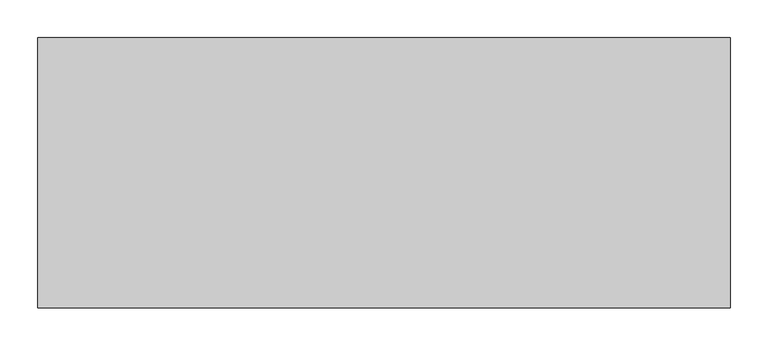
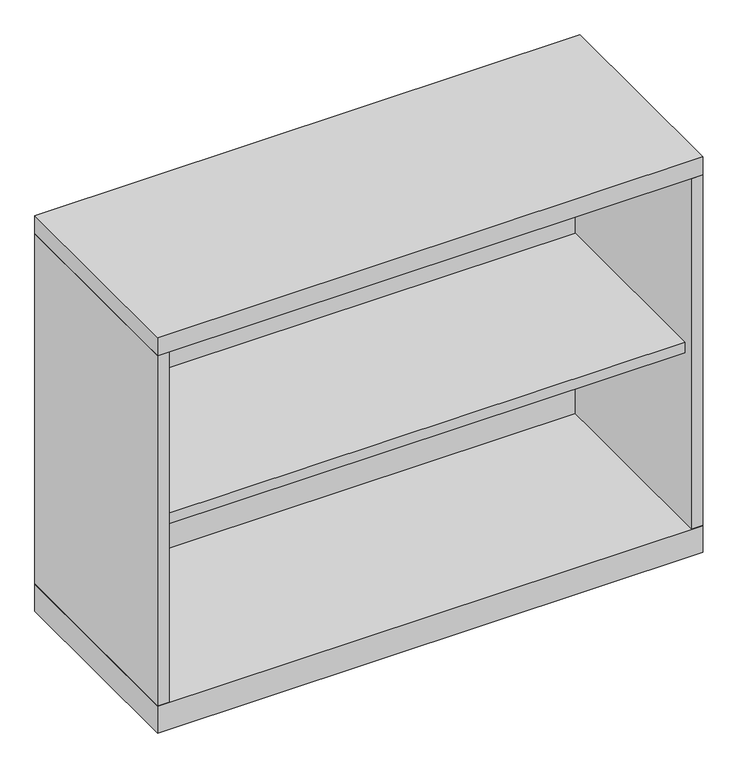
"""IFC4 building model written with IfcOpenShell, lengths in millimetres: furniture geometry."""

from ifc_helpers import new_model, si_unit, frame, origin, origin_with_axes, place, context, project, spatial, polyline, outline, extrude, source, transform, mapped, element, save


def furniture_7c124017(model_context):
    return source(origin(), model_context, "Body", "SweptSolid", [
        extrude(outline(polyline([(436.5625, -19.05), (436.5625, -336.55), (-436.5625, -336.55), (-436.5625, -19.05), (436.5625, -19.05)])), frame((0.0, 0.0, 347.6625), z_axis=(0.0, 0.0, 1.0), x_axis=(1.0, 0.0, 0.0)), (0.0, 0.0, 1.0), 19.05),
        extrude(outline(polyline([(455.6125, 0.0), (455.6125, -355.6), (-455.6125, -355.6), (-455.6125, 0.0), (455.6125, 0.0)])), origin_with_axes(), (0.0, 0.0, 1.0), 47.625),
        extrude(outline(polyline([(455.6125, 0.0), (455.6125, -355.6), (-455.6125, -355.6), (-455.6125, 0.0), (455.6125, 0.0)])), frame((0.0, 0.0, 666.75), z_axis=(0.0, 0.0, 1.0), x_axis=(1.0, 0.0, 0.0)), (0.0, 0.0, 1.0), 31.75),
        extrude(outline(polyline([(455.6125, 0.0), (455.6125, -355.6), (436.5625, -355.6), (436.5625, -19.05), (-436.5625, -19.05), (-436.5625, -355.6), (-455.6125, -355.6), (-455.6125, 0.0), (455.6125, 0.0)])), frame((0.0, 0.0, 47.625), z_axis=(0.0, 0.0, 1.0), x_axis=(1.0, 0.0, 0.0)), (0.0, 0.0, 1.0), 619.125),
    ])


if __name__ == "__main__":
    model = new_model("IFC4")
    model_context = context("Model", 3, world=origin())
    ifc_project = project(units=[si_unit("LENGTHUNIT", "METRE", prefix="MILLI")], contexts=[model_context])
    site = spatial("IfcSite", under=ifc_project)
    building = spatial("IfcBuilding", under=site)
    placement = place(None, origin())
    furniture_shape = furniture_7c124017(model_context)
    element("IfcFurniture", 1, at=placement, inside=building, context=model_context, shape_type="MappedRepresentation", body=[
        mapped(furniture_shape, transform((0.0, 0.0, 0.0), x_axis=(1.0, 0.0, 0.0), y_axis=(0.0, 1.0, 0.0), z_axis=(0.0, 0.0, 1.0))),
    ])
    save(model, "model.ifc")
